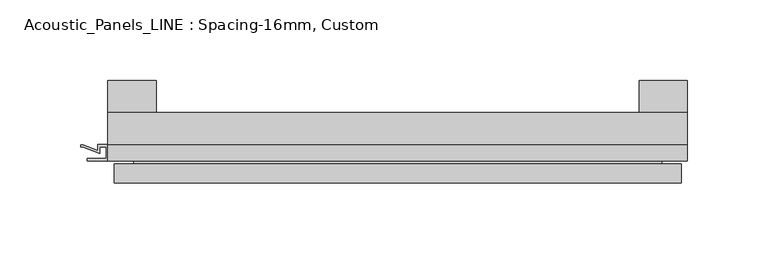
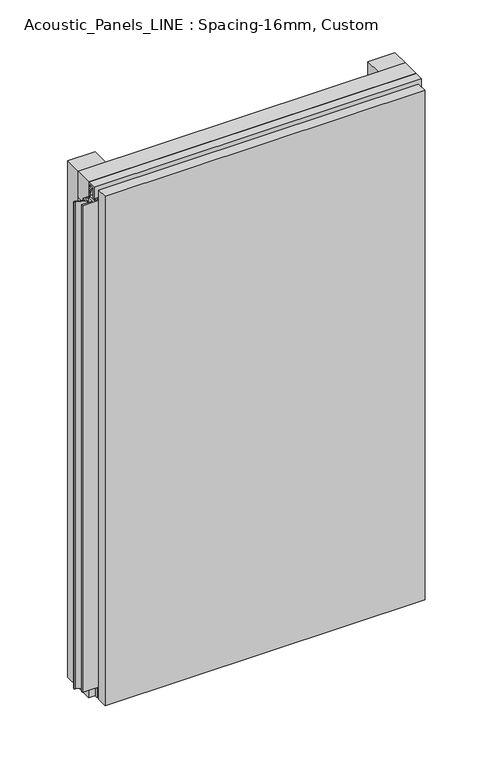
"""IFC4 building model written with IfcOpenShell, lengths in millimetres: plate geometry, Acoustic_Panels_LINE : Spacing-16mm, Custom."""

from ifc_helpers import new_model, si_unit, frame, origin, origin_with_axes, place, context, project, spatial, polyline, outline, extrude, faceted_brep, source, transform, mapped, element, save


def acoustic_panels_line_spacing_16mm_custom_e326ac84(model_context):
    return source(origin(), model_context, "Body", "SolidModel", [
        extrude(outline(polyline([(-180.0, -40.0), (-180.0, -20.0), (180.0, -20.0), (180.0, -40.0), (-180.0, -40.0)])), frame((0.0, 0.0, 570.0), z_axis=(0.0, 0.0, 1.0), x_axis=(1.0, 0.0, 0.0)), (0.0, 0.0, 1.0), 30.0),
        extrude(outline(polyline([(-180.0, -40.0), (-180.0, -20.0), (180.0, -20.0), (180.0, -40.0), (-180.0, -40.0)])), origin_with_axes(), (0.0, 0.0, 1.0), 30.0),
        extrude(outline(polyline([(150.0, 0.0), (180.0, 0.0), (180.0, -20.0), (150.0, -20.0), (150.0, 0.0)])), origin_with_axes(), (0.0, 0.0, 1.0), 600.0),
        extrude(outline(polyline([(-150.0, 0.0), (-150.0, -20.0), (-180.0, -20.0), (-180.0, 0.0), (-150.0, 0.0)])), origin_with_axes(), (0.0, 0.0, 1.0), 600.0),
        extrude(outline(polyline([(-40.0, 593.700916), (-43.5, 593.700916), (-40.0553267, 584.6441401), (-40.0553267, 577.008452), (-41.4553267, 577.008452), (-41.4553267, 584.4296606), (-45.5140545, 595.100916), (-41.4, 595.100916), (-41.4, 598.5843193), (-48.7, 598.5843193), (-48.7, 586.5843193), (-50.1, 586.5843193), (-50.1, 600.0), (-40.0, 600.0), (-40.0, 593.700916)])), frame((-180.0, 0.0, 0.0), z_axis=(1.0, 0.0, 0.0), x_axis=(0.0, 1.0, 0.0)), (0.0, 0.0, 1.0), 360.0),
        extrude(outline(polyline([(-180.899084, -48.7), (-180.899084, -41.4), (-184.899084, -41.4), (-184.899084, -45.5140545), (-195.5703394, -41.4553267), (-196.9558599, -41.4553267), (-196.9558599, -40.0553267), (-195.3558599, -40.0553267), (-186.299084, -43.5), (-186.299084, -40.0), (-173.700916, -40.0), (-173.700916, -43.5), (-164.6441401, -40.0553267), (-163.0441401, -40.0553267), (-163.0441401, -41.4553267), (-164.4296606, -41.4553267), (-175.100916, -45.5140545), (-175.100916, -41.4), (-179.100916, -41.4), (-179.100916, -48.7), (-167.100916, -48.7), (-167.100916, -50.1), (-192.899084, -50.1), (-192.899084, -48.7), (-180.899084, -48.7)])), frame((0.0, 0.0, 16.9558599), z_axis=(0.0, 0.0, 1.0), x_axis=(1.0, 0.0, 0.0)), (0.0, 0.0, 1.0), 566.0882802),
        faceted_brep([(176.0, -45.9, 596.0), (-176.0, -45.9, 596.0), (-176.0, -48.7, 596.0), (176.0, -48.7, 596.0), (-176.0, -63.9, 596.0), (176.0, -63.9, 596.0), (176.0, -51.9, 596.0), (-176.0, -51.9, 596.0), (-176.0, -45.9, 4.0), (176.0, -45.9, 4.0), (176.0, -48.7, 4.0), (-176.0, -48.7, 4.0), (176.0, -63.9, 4.0), (-176.0, -63.9, 4.0), (-176.0, -51.9, 4.0), (176.0, -51.9, 4.0), (164.0, -51.9, 584.0), (164.0, -51.9, 16.0), (164.0, -48.7, 16.0), (164.0, -48.7, 584.0), (-164.0, -51.9, 16.0), (-164.0, -48.7, 16.0), (-164.0, -51.9, 584.0), (-164.0, -48.7, 584.0)], [[[0, 1, 2, 3]], [[4, 5, 6, 7]], [[8, 9, 10, 11]], [[12, 13, 14, 15]], [[1, 0, 9, 8]], [[1, 8, 11, 2]], [[13, 4, 7, 14]], [[5, 4, 13, 12]], [[9, 0, 3, 10]], [[5, 12, 15, 6]], [[16, 17, 18, 19]], [[18, 17, 20, 21]], [[21, 20, 22, 23]], [[16, 19, 23, 22]], [[7, 6, 15, 14], [17, 16, 22, 20]], [[3, 2, 11, 10], [19, 18, 21, 23]]]),
    ])


if __name__ == "__main__":
    model = new_model("IFC4")
    model_context = context("Model", 3, world=origin())
    ifc_project = project(units=[si_unit("LENGTHUNIT", "METRE", prefix="MILLI")], contexts=[model_context])
    site = spatial("IfcSite", under=ifc_project)
    building = spatial("IfcBuilding", under=site)
    placement = place(None, origin())
    acoustic_panels_line_spacing_16mm_custom_shape = acoustic_panels_line_spacing_16mm_custom_e326ac84(model_context)
    element("IfcPlate", 1, ObjectType="Acoustic_Panels_LINE : Spacing-16mm, Custom", at=placement, inside=building, context=model_context, shape_type="MappedRepresentation", body=[
        mapped(acoustic_panels_line_spacing_16mm_custom_shape, transform((0.0, 0.0, 0.0), x_axis=(1.0, 0.0, 0.0), y_axis=(0.0, 1.0, 0.0), z_axis=(0.0, 0.0, 1.0))),
    ])
    save(model, "model.ifc")
